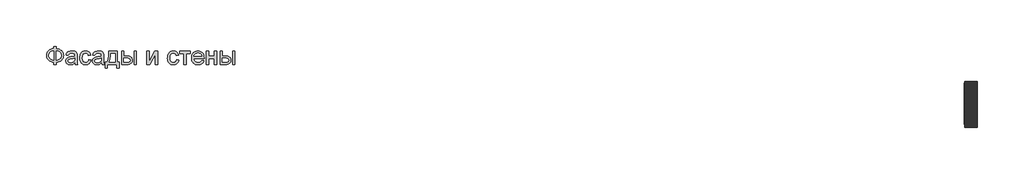
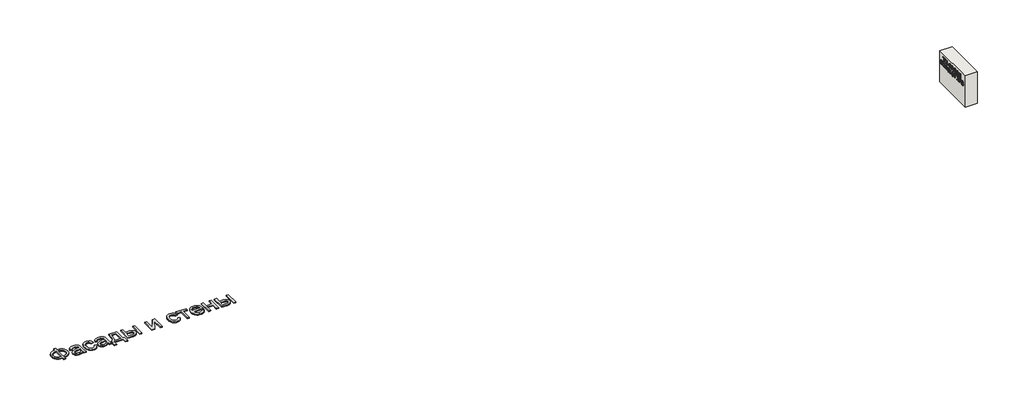
# One storey: 2 proxies, 1 wall.
"""IFC4 building model written with IfcOpenShell, lengths in millimetres."""

from ifc_helpers import new_model, si_unit, frame, origin, origin_with_axes, place, context, project, spatial, polyline, outline, extrude, element, save

model = new_model("IFC4")

# Units and contexts
model_context = context("Model", 3, world=origin())
ifc_project = project(units=[si_unit("LENGTHUNIT", "METRE", prefix="MILLI")], contexts=[model_context])

# Site, building, storey
site = spatial("IfcSite", under=ifc_project)
building = spatial("IfcBuilding", under=site)
storey = spatial("IfcBuildingStorey", under=building, Elevation=0.0)

# Proxies
placement = place(None, origin())
element("IfcBuildingElementProxy", 1, Name="Generic Models", at=placement, inside=storey, context=model_context, shape_type="SweptSolid", body=[
    extrude(outline(polyline([(-1939.8736325, -20885.7211043), (-1939.8736325, -20787.7817103), (-1841.9342386, -20787.7817103), (-1841.9342386, -20885.7211043), (-1772.0723186, -20894.3529698), (-1709.9695132, -20912.2144755), (-1655.6258224, -20939.3056213), (-1609.0412461, -20975.6264073), (-1571.6743546, -21019.0607113), (-1544.9837177, -21067.4924111), (-1528.9693356, -21120.9215067), (-1523.6312083, -21179.3479982), (-1528.8019587, -21236.6028514), (-1544.3142102, -21289.3863505), (-1570.1679625, -21337.6984954), (-1606.3632158, -21381.5392861), (-1628.1416397, -21401.1761824), (-1652.1109076, -21418.4817577), (-1706.6219753, -21446.0989452), (-1769.896419, -21464.3908486), (-1841.9342386, -21473.3574679), (-1841.9342386, -21571.2968619), (-1939.8736325, -21571.2968619), (-1939.8736325, -21473.3574679), (-2005.3060425, -21466.0586398), (-2065.0237272, -21449.518216), (-2119.0266865, -21423.7361966), (-2167.3149204, -21388.7125816), (-2207.0669327, -21345.8939854), (-2222.6837947, -21322.10405), (-2235.4612272, -21296.7270228), (-2245.3992303, -21269.7629041), (-2252.4978039, -21241.2116938), (-2258.1766628, -21179.3479982), (-2252.5157371, -21117.2033486), (-2245.4395801, -21088.5878775), (-2235.5329602, -21061.6103088), (-2222.7958774, -21036.2706426), (-2207.2283318, -21012.5688789), (-2188.8303234, -20990.5050176), (-2167.6018522, -20970.0790588), (-2119.4032845, -20935.3961753), (-2065.382392, -20909.775555), (-2005.5391746, -20893.217198), (-1939.8736325, -20885.7211043)]), holes=[polyline([(-1841.9342386, -20983.6604982), (-1841.9342386, -21375.418074), (-1793.3949393, -21370.2234125), (-1750.3073446, -21359.2303372), (-1712.6714545, -21342.4388481), (-1680.4872689, -21319.8489452), (-1654.7112272, -21291.9627591), (-1636.2997689, -21259.2824206), (-1625.2528939, -21221.8079296), (-1621.5706022, -21179.5392861), (-1625.1871387, -21137.922217), (-1636.036748, -21100.872146), (-1654.1194303, -21068.389073), (-1679.4351855, -21040.4729982), (-1711.2905951, -21017.6977852), (-1748.9922405, -21000.6372975), (-1792.5401216, -20989.2915352), (-1841.9342386, -20983.6604982)]), polyline([(-1939.8736325, -20983.6604982), (-1986.781007, -20988.5861611), (-2028.989873, -20999.3461043), (-2066.5002305, -21015.9403278), (-2099.3120795, -21038.3688316), (-2125.9668498, -21066.2012179), (-2145.0059715, -21099.0070891), (-2156.4294445, -21136.7864452), (-2160.2372689, -21179.5392861), (-2156.4772665, -21221.9035735), (-2145.1972594, -21259.4737085), (-2126.3972476, -21292.2496909), (-2100.077231, -21320.231521), (-2067.5044919, -21342.8692459), (-2029.9463124, -21359.612913), (-1987.4026926, -21370.4625224), (-1939.8736325, -21375.418074), (-1939.8736325, -20983.6604982)])]), origin_with_axes(), (0.0, 0.0, 1.0), 40.0),
    extrude(outline(polyline([(-1033.9342386, -21497.8423164), (-1080.7280359, -21537.964949), (-1104.6449985, -21552.8256261), (-1128.9086704, -21564.2192103), (-1179.5760473, -21578.7092672), (-1233.8300719, -21583.5392861), (-1277.4377305, -21580.6341014), (-1315.677373, -21571.9185475), (-1348.5489995, -21557.3926242), (-1376.0526098, -21537.0563316), (-1397.7697618, -21512.2008628), (-1413.2820132, -21484.1174111), (-1422.589364, -21452.8059764), (-1425.6918143, -21418.2665588), (-1421.0052613, -21377.6657066), (-1406.9456022, -21340.7949679), (-1385.2583389, -21309.2324679), (-1357.6889734, -21284.5563316), (-1325.2895889, -21265.9057634), (-1289.1122689, -21252.4199679), (-1204.3717386, -21237.6908013), (-1104.232534, -21222.1964831), (-1034.5081022, -21204.0241346), (-1033.9342386, -21182.2173164), (-1035.619963, -21158.4737085), (-1040.6771363, -21138.5080361), (-1049.1057585, -21122.3202994), (-1060.9058295, -21109.9104982), (-1081.3018996, -21097.5246081), (-1106.1454128, -21088.6775437), (-1135.4363693, -21083.369305), (-1169.1747689, -21081.5998922), (-1227.5175719, -21086.3103562), (-1250.0895416, -21092.1984362), (-1268.2618901, -21100.4417482), (-1283.1943001, -21111.6858888), (-1296.0464545, -21126.5764547), (-1306.8183532, -21145.1134457), (-1315.5099961, -21167.2968619), (-1413.4493901, -21155.0544376), (-1396.4486799, -21101.4938316), (-1384.810008, -21079.0175058), (-1371.0791249, -21059.4104982), (-1354.6642338, -21042.2782776), (-1334.9735378, -21027.2263126), (-1312.0070369, -21014.2546033), (-1285.764731, -21003.3631497), (-1225.5807821, -20988.5861611), (-1156.5497689, -20983.6604982), (-1090.3402518, -20988.0122975), (-1037.8556401, -21001.0676952), (-998.2829602, -21020.6986138), (-970.8092386, -21044.7769755), (-952.5890681, -21074.5461516), (-940.7770416, -21111.2495134), (-937.1903939, -21145.1074679), (-935.9948446, -21196.9464831), (-935.9948446, -21318.7968619), (-934.7514734, -21424.9377236), (-931.0213598, -21488.94743), (-923.6567764, -21531.0068524), (-911.5099961, -21571.2968619), (-1009.4493901, -21571.2968619), (-1025.1349961, -21537.2476194), (-1033.9342386, -21497.8423164)]), holes=[polyline([(-1033.9342386, -21301.9635285), (-1099.7372689, -21318.2708202), (-1191.9380264, -21331.9957255), (-1242.7488693, -21339.5037747), (-1276.2003371, -21347.8726194), (-1298.1267102, -21358.7282066), (-1314.3622689, -21373.6964831), (-1324.4048825, -21391.6297217), (-1327.7524204, -21411.3801952), (-1325.9292078, -21426.599537), (-1320.45957, -21440.5037747), (-1311.343507, -21453.0929083), (-1298.5810189, -21464.3669376), (-1282.2916604, -21473.6563552), (-1262.5949867, -21480.2916535), (-1212.9796931, -21485.5998922), (-1160.3755264, -21479.7417009), (-1136.3688977, -21472.4189618), (-1113.8925719, -21462.167127), (-1076.2088598, -21436.2715304), (-1050.0024204, -21405.450271), (-1038.3816818, -21373.6964831), (-1034.5081022, -21329.700271), (-1033.9342386, -21301.9635285)])]), origin_with_axes(), (0.0, 0.0, 1.0), 40.0),
    extrude(outline(polyline([(-434.0554507, -21363.1756497), (-336.1160568, -21375.418074), (-346.7684005, -21421.6320299), (-363.4224014, -21462.5257918), (-386.0780596, -21498.0993595), (-414.7353749, -21528.3527331), (-448.1868427, -21552.49685), (-485.2249583, -21569.7426478), (-525.8497215, -21580.0901265), (-570.0611325, -21583.5392861), (-624.9906425, -21578.7272004), (-674.2412935, -21564.2909433), (-717.8130856, -21540.2305148), (-755.7060189, -21506.5459149), (-786.3778347, -21463.8707847), (-808.2862746, -21412.8387653), (-821.4313385, -21353.4498567), (-825.8130264, -21285.7040588), (-823.9419919, -21240.6736966), (-818.3288882, -21198.5485191), (-808.9737154, -21159.3285262), (-795.8764734, -21123.0137179), (-778.9474961, -21090.3333794), (-758.0971174, -21062.0167956), (-733.3253371, -21038.0639665), (-704.6321552, -21018.4748922), (-673.3147428, -21003.2435948), (-640.6702708, -20992.3640967), (-606.698739, -20985.8363978), (-571.4001477, -20983.6604982), (-527.9479104, -20986.6493713), (-488.6442291, -20995.6159906), (-453.4891036, -21010.5603562), (-422.482534, -21031.4824679), (-396.150562, -21057.9041062), (-375.0192291, -21089.3470513), (-359.0885354, -21125.8113031), (-348.358481, -21167.2968619), (-446.2978749, -21179.5392861), (-453.9434123, -21156.6624513), (-464.0637367, -21136.8103562), (-476.6588479, -21119.9830006), (-491.7287461, -21106.1803846), (-508.8908555, -21095.4264192), (-527.7626003, -21087.7450153), (-548.3439805, -21083.1361729), (-570.6349961, -21081.5998922), (-603.9131093, -21084.6246317), (-633.927373, -21093.6988505), (-660.6777873, -21108.8225484), (-684.1643522, -21129.9957255), (-703.2871623, -21157.7085569), (-716.9463124, -21192.4512179), (-725.1418025, -21234.2237085), (-727.8736325, -21283.0260285), (-725.20158, -21332.5636114), (-717.1854223, -21374.8202994), (-703.8251595, -21409.7960924), (-685.1207916, -21437.4909906), (-662.1004909, -21458.5386351), (-635.7924299, -21473.5726668), (-606.1966084, -21482.5930858), (-573.3130264, -21485.5998922), (-546.8136775, -21483.7228799), (-522.5978276, -21478.0918429), (-500.6654767, -21468.7067814), (-481.0166249, -21455.5676952), (-464.2012248, -21438.5311185), (-450.7692291, -21417.4535853), (-440.7206377, -21392.3350958), (-434.0554507, -21363.1756497)])), origin_with_axes(), (0.0, 0.0, 1.0), 40.0),
    extrude(outline(polyline([(116.8536402, -21497.8423164), (70.0598429, -21537.964949), (46.1428803, -21552.8256261), (21.8792084, -21564.2192103), (-28.7881685, -21578.7092672), (-83.0421931, -21583.5392861), (-126.6498517, -21580.6341014), (-164.8894943, -21571.9185475), (-197.7611207, -21557.3926242), (-225.264731, -21537.0563316), (-246.981883, -21512.2008628), (-262.4941344, -21484.1174111), (-271.8014853, -21452.8059764), (-274.9039355, -21418.2665588), (-270.2173825, -21377.6657066), (-256.1577234, -21340.7949679), (-234.4704602, -21309.2324679), (-206.9010946, -21284.5563316), (-174.5017102, -21265.9057634), (-138.3243901, -21252.4199679), (-53.5838598, -21237.6908013), (46.5553448, -21222.1964831), (116.2797766, -21204.0241346), (116.8536402, -21182.2173164), (115.1679158, -21158.4737085), (110.1107425, -21138.5080361), (101.6821203, -21122.3202994), (89.8820493, -21109.9104982), (69.4859792, -21097.5246081), (44.642466, -21088.6775437), (15.3515095, -21083.369305), (-18.3868901, -21081.5998922), (-76.7296931, -21086.3103562), (-99.3016628, -21092.1984362), (-117.4740113, -21100.4417482), (-132.4064213, -21111.6858888), (-145.2585757, -21126.5764547), (-156.0304744, -21145.1134457), (-164.7221174, -21167.2968619), (-262.6615113, -21155.0544376), (-245.6608011, -21101.4938316), (-234.0221292, -21079.0175058), (-220.2912461, -21059.4104982), (-203.876355, -21042.2782776), (-184.185659, -21027.2263126), (-161.2191581, -21014.2546033), (-134.9768522, -21003.3631497), (-74.7929033, -20988.5861611), (-5.7618901, -20983.6604982), (60.447627, -20988.0122975), (112.9322387, -21001.0676952), (152.5049186, -21020.6986138), (179.9786402, -21044.7769755), (198.1988107, -21074.5461516), (210.0108372, -21111.2495134), (213.5974849, -21145.1074679), (214.7930342, -21196.9464831), (214.7930342, -21318.7968619), (216.0364054, -21424.9377236), (219.766519, -21488.94743), (227.1311023, -21531.0068524), (239.2778826, -21571.2968619), (141.3384887, -21571.2968619), (125.6528826, -21537.2476194), (116.8536402, -21497.8423164)]), holes=[polyline([(116.8536402, -21301.9635285), (51.0506099, -21318.2708202), (-41.1501477, -21331.9957255), (-91.9609905, -21339.5037747), (-125.4124583, -21347.8726194), (-147.3388314, -21358.7282066), (-163.5743901, -21373.6964831), (-173.6170037, -21391.6297217), (-176.9645416, -21411.3801952), (-175.141329, -21426.599537), (-169.6716912, -21440.5037747), (-160.5556282, -21453.0929083), (-147.7931401, -21464.3669376), (-131.5037817, -21473.6563552), (-111.8071079, -21480.2916535), (-62.1918143, -21485.5998922), (-9.5876477, -21479.7417009), (14.4189811, -21472.4189618), (36.8953069, -21462.167127), (74.579019, -21436.2715304), (100.7854584, -21405.450271), (112.406197, -21373.6964831), (116.2797766, -21329.700271), (116.8536402, -21301.9635285)])]), origin_with_axes(), (0.0, 0.0, 1.0), 40.0),
    extrude(outline(polyline([(435.1566705, -20995.9029225), (802.4293978, -20995.9029225), (802.4293978, -21473.3574679), (875.8839432, -21473.3574679), (875.8839432, -21730.448377), (777.9445493, -21730.448377), (777.9445493, -21571.2968619), (373.9445493, -21571.2968619), (373.9445493, -21730.448377), (276.0051554, -21730.448377), (276.0051554, -21473.3574679), (337.2172766, -21473.3574679), (361.1342392, -21436.3970631), (381.7156194, -21392.9448259), (398.9614172, -21343.0007563), (412.8716326, -21286.5648543), (423.4462657, -21223.6371199), (430.6853164, -21154.2175531), (434.5887846, -21078.306154), (435.1566705, -20995.9029225)]), holes=[polyline([(520.8536402, -21093.8423164), (512.8195493, -21213.7559054), (497.8990948, -21316.979627), (476.0922766, -21403.5134812), (462.6064811, -21440.521708), (447.3990948, -21473.3574679), (704.4900039, -21473.3574679), (704.4900039, -21093.8423164), (520.8536402, -21093.8423164)])]), origin_with_axes(), (0.0, 0.0, 1.0), 40.0),
    extrude(outline(polyline([(986.0657614, -20995.9029225), (1084.0051554, -20995.9029225), (1084.0051554, -21204.0241346), (1205.0903826, -21204.0241346), (1260.8089551, -21207.0907184), (1309.7487633, -21216.2904698), (1351.9098074, -21231.6233888), (1387.2920872, -21253.0894755), (1415.2858727, -21279.9474892), (1435.2814338, -21311.4561895), (1447.2787704, -21347.6155763), (1451.2778826, -21388.4256497), (1447.924367, -21424.8361019), (1437.8638201, -21458.5087463), (1421.096242, -21489.443583), (1397.6216326, -21517.6406119), (1366.7824399, -21541.1152212), (1327.9211118, -21557.8827994), (1281.0376483, -21567.9433462), (1226.1320493, -21571.2968619), (986.0657614, -21571.2968619), (986.0657614, -20995.9029225)]), holes=[polyline([(1084.0051554, -21473.3574679), (1184.6225796, -21473.3574679), (1262.6202122, -21468.2166062), (1291.8274802, -21461.790529), (1314.5070493, -21452.794021), (1331.495804, -21441.0716606), (1343.6306289, -21426.4680266), (1350.9115237, -21408.983119), (1353.3384887, -21388.6169376), (1351.5391871, -21372.1542245), (1346.1412823, -21356.6240399), (1337.1447742, -21342.0263836), (1324.5496629, -21328.3612558), (1305.8094286, -21316.8122501), (1278.3775512, -21308.5629603), (1242.2540308, -21303.6133865), (1197.4388675, -21301.9635285), (1084.0051554, -21301.9635285), (1084.0051554, -21473.3574679)])]), origin_with_axes(), (0.0, 0.0, 1.0), 40.0),
    extrude(outline(polyline([(1524.7324281, -20995.9029225), (1622.671822, -20995.9029225), (1622.671822, -21571.2968619), (1524.7324281, -21571.2968619), (1524.7324281, -20995.9029225)])), origin_with_axes(), (0.0, 0.0, 1.0), 40.0),
    extrude(outline(polyline([(2075.641519, -20995.9029225), (2173.5809129, -20995.9029225), (2173.5809129, -21434.7173164), (2414.2210645, -20995.9029225), (2540.8536402, -20995.9029225), (2540.8536402, -21571.2968619), (2442.9142463, -21571.2968619), (2442.9142463, -21135.1604982), (2203.8043978, -21571.2968619), (2075.641519, -21571.2968619), (2075.641519, -20995.9029225)])), origin_with_axes(), (0.0, 0.0, 1.0), 40.0),
    extrude(outline(polyline([(3361.0960645, -21363.1756497), (3459.0354584, -21375.418074), (3448.3831147, -21421.6320299), (3431.7291137, -21462.5257918), (3409.0734556, -21498.0993595), (3380.4161402, -21528.3527331), (3346.9646724, -21552.49685), (3309.9265569, -21569.7426478), (3269.3017936, -21580.0901265), (3225.0903826, -21583.5392861), (3170.1608727, -21578.7272004), (3120.9102217, -21564.2909433), (3077.3384295, -21540.2305148), (3039.4454963, -21506.5459149), (3008.7736805, -21463.8707847), (2986.8652406, -21412.8387653), (2973.7201767, -21353.4498567), (2969.3384887, -21285.7040588), (2971.2095233, -21240.6736966), (2976.822627, -21198.5485191), (2986.1777998, -21159.3285262), (2999.2750417, -21123.0137179), (3016.204019, -21090.3333794), (3037.0543978, -21062.0167956), (3061.8261781, -21038.0639665), (3090.5193599, -21018.4748922), (3121.8367723, -21003.2435948), (3154.4812444, -20992.3640967), (3188.4527761, -20985.8363978), (3223.7513675, -20983.6604982), (3267.2036047, -20986.6493713), (3306.5072861, -20995.6159906), (3341.6624115, -21010.5603562), (3372.6689811, -21031.4824679), (3399.0009532, -21057.9041062), (3420.1322861, -21089.3470513), (3436.0629797, -21125.8113031), (3446.7930342, -21167.2968619), (3348.8536402, -21179.5392861), (3341.2081028, -21156.6624513), (3331.0877785, -21136.8103562), (3318.4926672, -21119.9830006), (3303.422769, -21106.1803846), (3286.2606596, -21095.4264192), (3267.3889148, -21087.7450153), (3246.8075346, -21083.1361729), (3224.516519, -21081.5998922), (3191.2384058, -21084.6246317), (3161.2241421, -21093.6988505), (3134.4737278, -21108.8225484), (3110.9871629, -21129.9957255), (3091.8643528, -21157.7085569), (3078.2052027, -21192.4512179), (3070.0097127, -21234.2237085), (3067.2778826, -21283.0260285), (3069.9499352, -21332.5636114), (3077.9660929, -21374.8202994), (3091.3263557, -21409.7960924), (3110.0307236, -21437.4909906), (3133.0510242, -21458.5386351), (3159.3590853, -21473.5726668), (3188.9549068, -21482.5930858), (3221.8384887, -21485.5998922), (3248.3378377, -21483.7228799), (3272.5536876, -21478.0918429), (3294.4860384, -21468.7067814), (3314.1348902, -21455.5676952), (3330.9502903, -21438.5311185), (3344.3822861, -21417.4535853), (3354.4308774, -21392.3350958), (3361.0960645, -21363.1756497)])), origin_with_axes(), (0.0, 0.0, 1.0), 40.0),
    extrude(outline(polyline([(3495.7627311, -20995.9029225), (3960.9748523, -20995.9029225), (3960.9748523, -21093.8423164), (3777.3384887, -21093.8423164), (3777.3384887, -21571.2968619), (3679.3990948, -21571.2968619), (3679.3990948, -21093.8423164), (3495.7627311, -21093.8423164), (3495.7627311, -20995.9029225)])), origin_with_axes(), (0.0, 0.0, 1.0), 40.0),
    extrude(outline(polyline([(4449.5240948, -21399.9029225), (4545.5506099, -21412.1453467), (4530.827421, -21450.6061658), (4510.9514148, -21484.4999869), (4485.9225914, -21513.8268098), (4455.7409508, -21538.5866346), (4420.7173358, -21558.2534196), (4381.1625891, -21572.3011232), (4337.0767108, -21580.7297454), (4288.4597008, -21583.5392861), (4227.6899328, -21578.6913339), (4173.5435076, -21564.1474774), (4126.0204253, -21539.9077165), (4085.1206857, -21505.9720513), (4052.231126, -21463.2849656), (4028.7385834, -21412.7909433), (4014.6430578, -21354.4899845), (4009.9445493, -21288.3820891), (4014.6908798, -21220.0325389), (4028.9298713, -21159.7888126), (4052.6615237, -21107.6509102), (4085.8858372, -21063.6188316), (4126.6779773, -21028.6370607), (4173.1131099, -21003.6500816), (4225.1912349, -20988.6578941), (4282.9123523, -20983.6604982), (4338.7743907, -20988.6459386), (4389.2923239, -21003.6022596), (4434.4661521, -21028.5294613), (4474.2958751, -21063.4275437), (4506.8088367, -21107.3639783), (4530.0323807, -21159.4062369), (4543.9665072, -21219.5543192), (4548.611216, -21287.8082255), (4548.0373523, -21314.2059528), (4107.8839432, -21314.2059528), (4113.5568244, -21353.2884575), (4124.8368315, -21387.5170323), (4141.7239646, -21416.8916772), (4164.2182236, -21441.4123922), (4191.0762373, -21460.7444234), (4221.0546345, -21474.5530172), (4254.1534153, -21482.8381734), (4290.3725796, -21485.5998922), (4342.4985266, -21480.4829414), (4386.3990948, -21465.1320891), (4405.2648618, -21453.3798401), (4422.0742842, -21438.590896), (4436.8273618, -21420.7652567), (4449.5240948, -21399.9029225)]), holes=[polyline([(4107.8839432, -21216.2665588), (4450.671822, -21216.2665588), (4445.6385597, -21188.5537274), (4437.4251364, -21164.5231876), (4426.0315522, -21144.1749395), (4411.4578069, -21127.5089831), (4384.7492368, -21107.4237558), (4354.3583751, -21093.0771649), (4320.2852217, -21084.4692103), (4282.5297766, -21081.5998922), (4248.0919807, -21083.889369), (4216.5115474, -21090.7577994), (4187.7884769, -21102.2051834), (4161.922769, -21118.231521), (4140.2175725, -21138.0955716), (4123.9760361, -21161.0560948), (4113.1981596, -21187.1130906), (4107.8839432, -21216.2665588)])]), origin_with_axes(), (0.0, 0.0, 1.0), 40.0),
    extrude(outline(polyline([(4646.5506099, -20995.9029225), (4744.4900039, -20995.9029225), (4744.4900039, -21216.2665588), (5001.5809129, -21216.2665588), (5001.5809129, -20995.9029225), (5099.5203069, -20995.9029225), (5099.5203069, -21571.2968619), (5001.5809129, -21571.2968619), (5001.5809129, -21314.2059528), (4744.4900039, -21314.2059528), (4744.4900039, -21571.2968619), (4646.5506099, -21571.2968619), (4646.5506099, -20995.9029225)])), origin_with_axes(), (0.0, 0.0, 1.0), 40.0),
    extrude(outline(polyline([(5246.4293978, -20995.9029225), (5344.3687917, -20995.9029225), (5344.3687917, -21204.0241346), (5465.454019, -21204.0241346), (5521.1725914, -21207.0907184), (5570.1123997, -21216.2904698), (5612.2734437, -21231.6233888), (5647.6557236, -21253.0894755), (5675.6495091, -21279.9474892), (5695.6450701, -21311.4561895), (5707.6424068, -21347.6155763), (5711.641519, -21388.4256497), (5708.2880034, -21424.8361019), (5698.2274565, -21458.5087463), (5681.4598784, -21489.443583), (5657.985269, -21517.6406119), (5627.1460763, -21541.1152212), (5588.2847482, -21557.8827994), (5541.4012846, -21567.9433462), (5486.4956857, -21571.2968619), (5246.4293978, -21571.2968619), (5246.4293978, -20995.9029225)]), holes=[polyline([(5344.3687917, -21473.3574679), (5444.986216, -21473.3574679), (5522.9838486, -21468.2166062), (5552.1911165, -21461.790529), (5574.8706857, -21452.794021), (5591.8594404, -21441.0716606), (5603.9942652, -21426.4680266), (5611.2751601, -21408.983119), (5613.7021251, -21388.6169376), (5611.9028235, -21372.1542245), (5606.5049186, -21356.6240399), (5597.5084106, -21342.0263836), (5584.9132993, -21328.3612558), (5566.1730649, -21316.8122501), (5538.7411876, -21308.5629603), (5502.6176672, -21303.6133865), (5457.8025039, -21301.9635285), (5344.3687917, -21301.9635285), (5344.3687917, -21473.3574679)])]), origin_with_axes(), (0.0, 0.0, 1.0), 40.0),
    extrude(outline(polyline([(5785.0960645, -20995.9029225), (5883.0354584, -20995.9029225), (5883.0354584, -21571.2968619), (5785.0960645, -21571.2968619), (5785.0960645, -20995.9029225)])), origin_with_axes(), (0.0, 0.0, 1.0), 40.0),
])
element("IfcBuildingElementProxy", 2, Name="Generic Models", at=placement, inside=storey, context=model_context, shape_type="SweptSolid", body=[
    extrude(outline(polyline([(-22641.3968391, 1181.1112414), (-22666.0122237, 1181.1112414), (-22666.0122237, 1353.4189337), (-22730.6276083, 1353.4189337), (-22730.6276083, 1378.0343184), (-22576.7814545, 1378.0343184), (-22576.7814545, 1353.4189337), (-22641.3968391, 1353.4189337), (-22641.3968391, 1181.1112414)])), frame((37411.3955952, 0.0, 0.0), z_axis=(1.0, 0.0, 0.0), x_axis=(0.0, 1.0, 0.0)), (0.0, 0.0, 1.0), 20.0),
    extrude(outline(polyline([(-22758.319916, 1181.1112414), (-22782.9353006, 1181.1112414), (-22782.9353006, 1273.4189337), (-22887.5506853, 1273.4189337), (-22887.5506853, 1181.1112414), (-22912.1660699, 1181.1112414), (-22912.1660699, 1378.0343184), (-22887.5506853, 1378.0343184), (-22887.5506853, 1298.0343184), (-22782.9353006, 1298.0343184), (-22782.9353006, 1378.0343184), (-22758.319916, 1378.0343184), (-22758.319916, 1181.1112414)])), frame((37411.3955952, 0.0, 0.0), z_axis=(1.0, 0.0, 0.0), x_axis=(0.0, 1.0, 0.0)), (0.0, 0.0, 1.0), 20.0),
    extrude(outline(polyline([(37411.3955952, -23016.7814545), (37411.3955952, -22939.8583776), (37431.3955952, -22939.8583776), (37431.3955952, -23016.7814545), (37411.3955952, -23016.7814545)])), frame((0.0, 0.0, 1239.5727799), z_axis=(0.0, 0.0, 1.0), x_axis=(1.0, 0.0, 0.0)), (0.0, 0.0, 1.0), 24.6153846),
    extrude(outline(polyline([(-23118.319916, 1353.4189337), (-23086.7754449, 1347.3732607), (-23061.0843391, 1332.2170107), (-23051.124904, 1321.5379241), (-23044.0110218, 1309.212203), (-23038.319916, 1279.6208568), (-23044.0290506, 1250.1196549), (-23051.1654689, 1237.7623833), (-23061.1564545, 1227.0006645), (-23086.8655891, 1211.7182126), (-23118.319916, 1205.726626), (-23118.319916, 1181.1112414), (-23142.9353006, 1181.1112414), (-23142.9353006, 1205.726626), (-23176.9437141, 1212.5775876), (-23202.1420314, 1228.8035491), (-23217.7369833, 1251.9646068), (-23222.9353006, 1279.6208568), (-23217.5687141, 1307.7338376), (-23201.4689545, 1330.8227799), (-23176.102368, 1346.7602799), (-23142.9353006, 1353.4189337), (-23142.9353006, 1378.0343184), (-23118.319916, 1378.0343184), (-23118.319916, 1353.4189337)]), holes=[polyline([(-23118.319916, 1328.8035491), (-23118.319916, 1230.3420107), (-23095.6816949, 1234.3143664), (-23078.055493, 1244.212203), (-23066.7153487, 1259.4826357), (-23062.9353006, 1279.5727799), (-23066.7634256, 1299.8131645), (-23078.2478006, 1315.0535491), (-23095.9220795, 1324.8612414), (-23118.319916, 1328.8035491)]), polyline([(-23142.9353006, 1328.8035491), (-23166.2946756, 1324.5367222), (-23183.7766468, 1314.524703), (-23194.6840987, 1299.3444145), (-23198.319916, 1279.5727799), (-23194.617993, 1259.5307126), (-23183.5122237, 1244.3083568), (-23165.9641468, 1234.4105203), (-23142.9353006, 1230.3420107), (-23142.9353006, 1328.8035491)])]), frame((37411.3955952, 0.0, 0.0), z_axis=(1.0, 0.0, 0.0), x_axis=(0.0, 1.0, 0.0)), (0.0, 0.0, 1.0), 20.0),
    extrude(outline(polyline([(-23233.8487622, 1181.1112414), (-23259.8583776, 1181.1112414), (-23282.3583776, 1242.649703), (-23363.4641468, 1242.649703), (-23386.0122237, 1181.1112414), (-23412.0218391, 1181.1112414), (-23333.4160699, 1378.0343184), (-23312.4545314, 1378.0343184), (-23233.8487622, 1181.1112414)]), holes=[polyline([(-23291.3968391, 1267.2650876), (-23310.6756853, 1319.9093184), (-23322.9353006, 1353.4189337), (-23336.7333776, 1315.6785491), (-23354.4737622, 1267.2650876), (-23291.3968391, 1267.2650876)])]), frame((37411.3955952, 0.0, 0.0), z_axis=(1.0, 0.0, 0.0), x_axis=(0.0, 1.0, 0.0)), (0.0, 0.0, 1.0), 20.0),
    extrude(outline(polyline([(-23576.7814545, 1251.1112414), (-23568.8187141, 1230.0295107), (-23555.8920314, 1214.8612414), (-23538.7706372, 1205.7025876), (-23518.2237622, 1202.649703), (-23500.5975603, 1204.8912895), (-23484.257416, 1211.6160491), (-23470.6276083, 1222.8720587), (-23461.132416, 1238.7073953), (-23455.5615026, 1258.3708568), (-23453.7045314, 1281.1112414), (-23455.273041, 1299.680953), (-23459.9785699, 1317.6977799), (-23468.554291, 1333.6352799), (-23481.7333776, 1345.9670107), (-23499.101166, 1353.8636453), (-23520.242993, 1356.4958568), (-23538.5843391, 1354.1220587), (-23553.5122237, 1347.0006645), (-23565.1708776, 1334.6869626), (-23573.7045314, 1316.7362414), (-23598.319916, 1322.601626), (-23587.4485218, 1347.3131645), (-23570.507416, 1365.774703), (-23548.1937141, 1377.2771068), (-23521.2045314, 1381.1112414), (-23496.4689545, 1378.148501), (-23473.8968391, 1369.2602799), (-23454.8643872, 1354.6629241), (-23440.7478006, 1334.5727799), (-23432.0038103, 1309.7771068), (-23429.0891468, 1281.0631645), (-23431.6672718, 1253.8396068), (-23439.4016468, 1228.4189337), (-23452.069916, 1206.7963376), (-23469.4497237, 1190.9670107), (-23492.1240026, 1181.2674914), (-23520.6756853, 1178.0343184), (-23548.8006853, 1182.3071549), (-23572.2141468, 1195.1256645), (-23590.038666, 1216.0811934), (-23601.3968391, 1244.7650876), (-23576.7814545, 1251.1112414)])), frame((37411.3955952, 0.0, 0.0), z_axis=(1.0, 0.0, 0.0), x_axis=(0.0, 1.0, 0.0)), (0.0, 0.0, 1.0), 20.0),
    extrude(outline(polyline([(-23612.3103006, 1181.1112414), (-23638.319916, 1181.1112414), (-23660.819916, 1242.649703), (-23741.9256853, 1242.649703), (-23764.4737622, 1181.1112414), (-23790.4833776, 1181.1112414), (-23711.8776083, 1378.0343184), (-23690.9160699, 1378.0343184), (-23612.3103006, 1181.1112414)]), holes=[polyline([(-23669.8583776, 1267.2650876), (-23689.1372237, 1319.9093184), (-23701.3968391, 1353.4189337), (-23715.194916, 1315.6785491), (-23732.9353006, 1267.2650876), (-23669.8583776, 1267.2650876)])]), frame((37411.3955952, 0.0, 0.0), z_axis=(1.0, 0.0, 0.0), x_axis=(0.0, 1.0, 0.0)), (0.0, 0.0, 1.0), 20.0),
    extrude(outline(polyline([(-23835.242993, 1378.0343184), (-23835.242993, 1349.524703), (-23833.7045314, 1299.9543905), (-23829.0891468, 1259.4646068), (-23821.3968391, 1228.055352), (-23810.6276083, 1205.726626), (-23795.242993, 1205.726626), (-23795.242993, 1134.9573953), (-23819.8583776, 1134.9573953), (-23819.8583776, 1181.1112414), (-23946.0122237, 1181.1112414), (-23946.0122237, 1134.9573953), (-23970.6276083, 1134.9573953), (-23970.6276083, 1205.726626), (-23952.1660699, 1205.726626), (-23952.1660699, 1378.0343184), (-23835.242993, 1378.0343184)]), holes=[polyline([(-23927.5506853, 1353.4189337), (-23927.5506853, 1205.726626), (-23835.242993, 1205.726626), (-23847.4545314, 1237.0847991), (-23854.8583776, 1276.0631645), (-23859.8583776, 1343.5150876), (-23859.8583776, 1353.4189337), (-23927.5506853, 1353.4189337)])]), frame((37411.3955952, 0.0, 0.0), z_axis=(1.0, 0.0, 0.0), x_axis=(0.0, 1.0, 0.0)), (0.0, 0.0, 1.0), 20.0),
    extrude(outline(polyline([(-22516.7814545, 1008.0343184), (-22508.8187141, 986.9525876), (-22495.8920314, 971.7843184), (-22478.7706372, 962.6256645), (-22458.2237622, 959.5727799), (-22440.5975603, 961.8143664), (-22424.257416, 968.539126), (-22410.6276083, 979.7951357), (-22401.132416, 995.6304722), (-22395.5615026, 1015.2939337), (-22393.7045314, 1038.0343184), (-22395.273041, 1056.6040299), (-22399.9785699, 1074.6208568), (-22408.554291, 1090.5583568), (-22421.7333776, 1102.8900876), (-22439.101166, 1110.7867222), (-22460.242993, 1113.4189337), (-22478.5843391, 1111.0451357), (-22493.5122237, 1103.9237414), (-22505.1708776, 1091.6100395), (-22513.7045314, 1073.6593184), (-22538.319916, 1079.524703), (-22527.4485218, 1104.2362414), (-22510.507416, 1122.6977799), (-22488.1937141, 1134.2001837), (-22461.2045314, 1138.0343184), (-22436.4689545, 1135.071578), (-22413.8968391, 1126.1833568), (-22394.8643872, 1111.586001), (-22380.7478006, 1091.4958568), (-22372.0038103, 1066.7001837), (-22369.0891468, 1037.9862414), (-22371.6672718, 1010.7626837), (-22379.4016468, 985.3420107), (-22392.069916, 963.7194145), (-22409.4497237, 947.8900876), (-22432.1240026, 938.1905684), (-22460.6756853, 934.9573953), (-22488.8006853, 939.2302318), (-22512.2141468, 952.0487414), (-22530.038666, 973.0042703), (-22541.3968391, 1001.6881645), (-22516.7814545, 1008.0343184)])), frame((37411.3955952, 0.0, 0.0), z_axis=(1.0, 0.0, 0.0), x_axis=(0.0, 1.0, 0.0)), (0.0, 0.0, 1.0), 20.0),
    extrude(outline(polyline([(-22559.8583776, 1082.649703), (-22559.8583776, 1058.0343184), (-22606.0122237, 1058.0343184), (-22606.0122237, 938.0343184), (-22630.6276083, 938.0343184), (-22630.6276083, 1058.0343184), (-22676.7814545, 1058.0343184), (-22676.7814545, 1082.649703), (-22559.8583776, 1082.649703)])), frame((37411.3955952, 0.0, 0.0), z_axis=(1.0, 0.0, 0.0), x_axis=(0.0, 1.0, 0.0)), (0.0, 0.0, 1.0), 20.0),
    extrude(outline(polyline([(-22790.6276083, 956.4958568), (-22796.7814545, 938.0343184), (-22821.3968391, 938.0343184), (-22816.492993, 958.7314337), (-22815.242993, 1001.4958568), (-22815.242993, 1032.1208568), (-22814.0410699, 1053.6593184), (-22806.492993, 1070.3660491), (-22789.6420314, 1081.351626), (-22759.8103006, 1085.726626), (-22727.3343391, 1080.774703), (-22714.9665506, 1074.7771068), (-22705.8920314, 1066.6881645), (-22695.242993, 1042.649703), (-22719.8583776, 1039.5727799), (-22724.7502045, 1049.8071549), (-22731.7333776, 1056.3756645), (-22756.6372237, 1061.1112414), (-22772.4785699, 1059.3323953), (-22783.8487622, 1053.9958568), (-22788.9328968, 1046.8083568), (-22790.6276083, 1035.8227799), (-22790.4833776, 1030.3420107), (-22747.7910699, 1021.8804722), (-22726.492993, 1018.1785491), (-22709.257416, 1010.101626), (-22696.8776083, 995.9670107), (-22692.1660699, 976.4958568), (-22695.2850603, 959.945376), (-22704.6420314, 946.6400876), (-22719.8163103, 937.8780684), (-22740.3872237, 934.9573953), (-22766.757416, 939.8131645), (-22790.6276083, 956.4958568)]), holes=[polyline([(-22790.6276083, 1005.726626), (-22790.4833776, 998.7554722), (-22786.5891468, 979.7170107), (-22770.5314545, 965.462203), (-22758.8487622, 961.0451357), (-22745.6276083, 959.5727799), (-22733.1576564, 960.9069145), (-22724.1131853, 964.9093184), (-22718.6143872, 970.9069145), (-22716.7814545, 978.226626), (-22720.1468391, 987.6977799), (-22729.7381853, 994.1881645), (-22750.9160699, 998.1785491), (-22790.6276083, 1005.726626)])]), frame((37411.3955952, 0.0, 0.0), z_axis=(1.0, 0.0, 0.0), x_axis=(0.0, 1.0, 0.0)), (0.0, 0.0, 1.0), 20.0),
    extrude(outline(polyline([(-22849.0891468, 1082.649703), (-22849.0891468, 938.0343184), (-22873.7045314, 938.0343184), (-22873.7045314, 1002.649703), (-22938.319916, 1002.649703), (-22938.319916, 938.0343184), (-22962.9353006, 938.0343184), (-22962.9353006, 1082.649703), (-22938.319916, 1082.649703), (-22938.319916, 1027.2650876), (-22873.7045314, 1027.2650876), (-22873.7045314, 1082.649703), (-22849.0891468, 1082.649703)])), frame((37411.3955952, 0.0, 0.0), z_axis=(1.0, 0.0, 0.0), x_axis=(0.0, 1.0, 0.0)), (0.0, 0.0, 1.0), 20.0),
    extrude(outline(polyline([(-23021.3968391, 1082.649703), (-23020.273041, 1042.8600395), (-23015.7958776, 1009.5968184), (-23007.9653487, 982.8600395), (-22996.7814545, 962.649703), (-22981.3968391, 962.649703), (-22981.3968391, 898.0343184), (-23006.0122237, 898.0343184), (-23006.0122237, 938.0343184), (-23107.5506853, 938.0343184), (-23107.5506853, 898.0343184), (-23132.1660699, 898.0343184), (-23132.1660699, 962.649703), (-23113.7045314, 962.649703), (-23113.7045314, 1082.649703), (-23021.3968391, 1082.649703)]), holes=[polyline([(-23042.9353006, 1058.0343184), (-23089.0891468, 1058.0343184), (-23089.0891468, 962.649703), (-23024.4737622, 962.649703), (-23037.1660699, 1001.9525876), (-23042.9353006, 1058.0343184)])]), frame((37411.3955952, 0.0, 0.0), z_axis=(1.0, 0.0, 0.0), x_axis=(0.0, 1.0, 0.0)), (0.0, 0.0, 1.0), 20.0),
    extrude(outline(polyline([(-23252.1660699, 956.4958568), (-23258.319916, 938.0343184), (-23282.9353006, 938.0343184), (-23278.0314545, 958.7314337), (-23276.7814545, 1001.4958568), (-23276.7814545, 1032.1208568), (-23275.5795314, 1053.6593184), (-23268.0314545, 1070.3660491), (-23251.180493, 1081.351626), (-23221.3487622, 1085.726626), (-23188.8728006, 1080.774703), (-23176.5050122, 1074.7771068), (-23167.430493, 1066.6881645), (-23156.7814545, 1042.649703), (-23181.3968391, 1039.5727799), (-23186.288666, 1049.8071549), (-23193.2718391, 1056.3756645), (-23218.1756853, 1061.1112414), (-23234.0170314, 1059.3323953), (-23245.3872237, 1053.9958568), (-23250.4713583, 1046.8083568), (-23252.1660699, 1035.8227799), (-23252.0218391, 1030.3420107), (-23209.3295314, 1021.8804722), (-23188.0314545, 1018.1785491), (-23170.7958776, 1010.101626), (-23158.4160699, 995.9670107), (-23153.7045314, 976.4958568), (-23156.8235218, 959.945376), (-23166.180493, 946.6400876), (-23181.3547718, 937.8780684), (-23201.9256853, 934.9573953), (-23228.2958776, 939.8131645), (-23252.1660699, 956.4958568)]), holes=[polyline([(-23252.1660699, 1005.726626), (-23252.0218391, 998.7554722), (-23248.1276083, 979.7170107), (-23232.069916, 965.462203), (-23220.3872237, 961.0451357), (-23207.1660699, 959.5727799), (-23194.696118, 960.9069145), (-23185.6516468, 964.9093184), (-23180.1528487, 970.9069145), (-23178.319916, 978.226626), (-23181.6853006, 987.6977799), (-23191.2766468, 994.1881645), (-23212.4545314, 998.1785491), (-23252.1660699, 1005.726626)])]), frame((37411.3955952, 0.0, 0.0), z_axis=(1.0, 0.0, 0.0), x_axis=(0.0, 1.0, 0.0)), (0.0, 0.0, 1.0), 20.0),
    extrude(outline(polyline([(-23310.6276083, 882.649703), (-23335.242993, 882.649703), (-23335.242993, 957.2650876), (-23350.8439545, 941.2795107), (-23360.946118, 936.5379241), (-23372.2622237, 934.9573953), (-23388.2177526, 937.3191741), (-23403.3920314, 944.4045107), (-23416.4208776, 955.9189337), (-23425.9401083, 971.5679722), (-23431.7634256, 990.3960972), (-23433.7045314, 1011.4477799), (-23431.9857814, 1031.243453), (-23426.8295314, 1049.3804722), (-23418.2958776, 1064.7410491), (-23406.444916, 1076.2073953), (-23391.8896276, 1083.3468184), (-23375.242993, 1085.726626), (-23362.742993, 1084.0259049), (-23352.2622237, 1078.9237414), (-23335.242993, 1058.5150876), (-23335.242993, 1082.649703), (-23310.6276083, 1082.649703), (-23310.6276083, 882.649703)]), holes=[polyline([(-23335.242993, 1009.1881645), (-23338.085541, 1031.5138857), (-23346.6131853, 1047.8179722), (-23358.8307333, 1057.7879241), (-23372.742993, 1061.1112414), (-23386.601166, 1057.9862414), (-23398.367993, 1048.6112414), (-23406.4088583, 1032.962203), (-23409.0891468, 1011.0150876), (-23406.3427526, 988.118453), (-23398.1035699, 972.1208568), (-23386.0182333, 962.7097991), (-23371.7333776, 959.5727799), (-23357.6768872, 962.601626), (-23345.8920314, 971.6881645), (-23337.9052526, 987.1208568), (-23335.242993, 1009.1881645)])]), frame((37411.3955952, 0.0, 0.0), z_axis=(1.0, 0.0, 0.0), x_axis=(0.0, 1.0, 0.0)), (0.0, 0.0, 1.0), 20.0),
    extrude(outline(polyline([(-23449.0891468, 1082.649703), (-23449.0891468, 1058.0343184), (-23495.242993, 1058.0343184), (-23495.242993, 938.0343184), (-23519.8583776, 938.0343184), (-23519.8583776, 1058.0343184), (-23566.0122237, 1058.0343184), (-23566.0122237, 1082.649703), (-23449.0891468, 1082.649703)])), frame((37411.3955952, 0.0, 0.0), z_axis=(1.0, 0.0, 0.0), x_axis=(0.0, 1.0, 0.0)), (0.0, 0.0, 1.0), 20.0),
    extrude(outline(polyline([(-23646.0122237, 938.0343184), (-23675.9641468, 938.0343184), (-23725.3391468, 1007.9381645), (-23736.9256853, 1024.1881645), (-23747.4545314, 1009.3804722), (-23798.0314545, 938.0343184), (-23827.5506853, 938.0343184), (-23751.6372237, 1045.0535491), (-23815.242993, 1134.9573953), (-23785.2910699, 1134.9573953), (-23749.8583776, 1084.8612414), (-23735.7237622, 1064.8612414), (-23723.6564545, 1084.524703), (-23687.8391468, 1134.9573953), (-23658.319916, 1134.9573953), (-23721.9256853, 1045.3420107), (-23646.0122237, 938.0343184)])), frame((37411.3955952, 0.0, 0.0), z_axis=(1.0, 0.0, 0.0), x_axis=(0.0, 1.0, 0.0)), (0.0, 0.0, 1.0), 20.0),
    extrude(outline(polyline([(-23852.1660699, 938.0343184), (-23876.7814545, 938.0343184), (-23876.7814545, 1018.0343184), (-23926.8295314, 1018.0343184), (-23961.7994833, 1022.3852799), (-23974.5023079, 1027.8239818), (-23984.0170314, 1035.4381645), (-23995.898041, 1054.7771068), (-23999.8583776, 1077.9862414), (-23993.992993, 1104.837203), (-23987.1840987, 1115.7146068), (-23978.4881853, 1123.8756645), (-23954.569916, 1133.0823953), (-23925.1468391, 1134.9573953), (-23852.1660699, 1134.9573953), (-23852.1660699, 938.0343184)]), holes=[polyline([(-23876.7814545, 1042.649703), (-23876.7814545, 1110.3420107), (-23927.694916, 1110.3420107), (-23952.3103006, 1108.6593184), (-23961.6071756, 1104.524703), (-23968.9208776, 1097.5054722), (-23973.6624641, 1088.1785491), (-23975.242993, 1077.1208568), (-23972.5627045, 1062.5655684), (-23964.5218391, 1051.6881645), (-23950.0987622, 1044.9093184), (-23928.2718391, 1042.649703), (-23876.7814545, 1042.649703)])]), frame((37411.3955952, 0.0, 0.0), z_axis=(1.0, 0.0, 0.0), x_axis=(0.0, 1.0, 0.0)), (0.0, 0.0, 1.0), 20.0),
    extrude(outline(polyline([(-24024.4737622, 1005.726626), (-24027.3944353, 985.8468184), (-24035.0987622, 968.1304722), (-24047.0999641, 953.587203), (-24062.9112622, 943.226626), (-24082.7610218, 937.024703), (-24106.8776083, 934.9573953), (-24126.523041, 936.8744626), (-24144.1131853, 942.6256645), (-24158.7405891, 951.8323953), (-24169.4978006, 964.1160491), (-24176.1143872, 978.3888857), (-24178.319916, 993.5631645), (-24176.4028487, 1008.4069145), (-24170.6516468, 1021.399703), (-24160.8619833, 1032.4213376), (-24146.8295314, 1041.351626), (-24103.2718391, 1053.7073953), (-24076.9737622, 1060.6545107), (-24063.0795314, 1067.4573953), (-24057.2021276, 1075.0655684), (-24055.242993, 1084.524703), (-24058.007416, 1095.618453), (-24066.3006853, 1104.9573953), (-24080.6396276, 1111.3035491), (-24101.5410699, 1113.4189337), (-24121.961743, 1111.2795107), (-24136.6853006, 1104.8612414), (-24146.1083776, 1094.2602799), (-24150.6276083, 1079.5727799), (-24175.242993, 1079.5727799), (-24172.4665506, 1095.882876), (-24165.4833776, 1110.3900876), (-24154.4497237, 1122.3492222), (-24139.5218391, 1131.0150876), (-24121.3487622, 1136.2795107), (-24100.5795314, 1138.0343184), (-24081.4088583, 1136.3576357), (-24064.0891468, 1131.3275876), (-24049.6600603, 1123.0583568), (-24039.1612622, 1111.664126), (-24032.7610218, 1098.2206164), (-24030.6276083, 1083.8035491), (-24032.352368, 1070.9069145), (-24037.5266468, 1059.3323953), (-24046.210541, 1049.2963376), (-24058.4641468, 1041.0150876), (-24097.0458776, 1028.8756645), (-24132.8872237, 1019.476626), (-24143.3920314, 1014.3744626), (-24149.617993, 1008.2987414), (-24153.7045314, 992.9381645), (-24148.2478006, 976.4237414), (-24131.6372237, 964.0679722), (-24105.9160699, 959.5727799), (-24090.3391468, 961.0571549), (-24076.3968391, 965.5102799), (-24064.9905891, 972.3732607), (-24057.0218391, 981.087203), (-24049.0891468, 1005.726626), (-24024.4737622, 1005.726626)])), frame((37411.3955952, 0.0, 0.0), z_axis=(1.0, 0.0, 0.0), x_axis=(0.0, 1.0, 0.0)), (0.0, 0.0, 1.0), 20.0),
])

# Wall
element("IfcWall", 3, at=placement, inside=storey, context=model_context, shape_type="SweptSolid", body=[
    extrude(outline(polyline([(37981.3955952, -22302.6148653), (37981.3955952, -24302.6148653), (37431.3955952, -24302.6148653), (37431.3955952, -22302.6148653), (37981.3955952, -22302.6148653)])), origin_with_axes(), (0.0, 0.0, 1.0), 1500.0),
])

save(model, "model.ifc")
